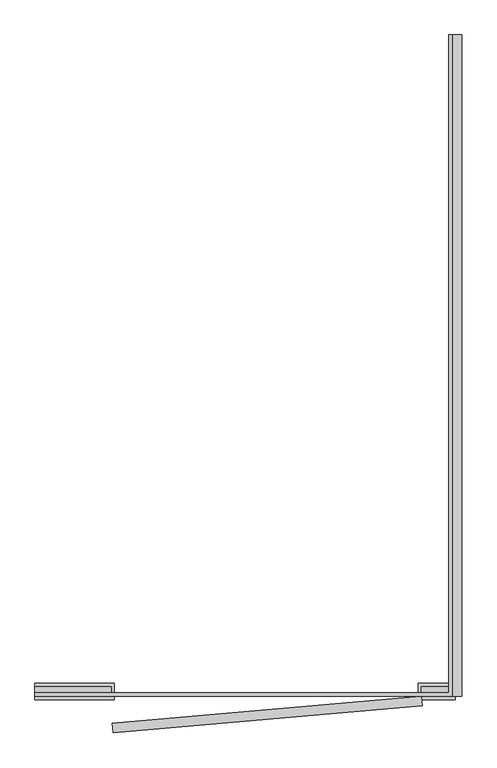
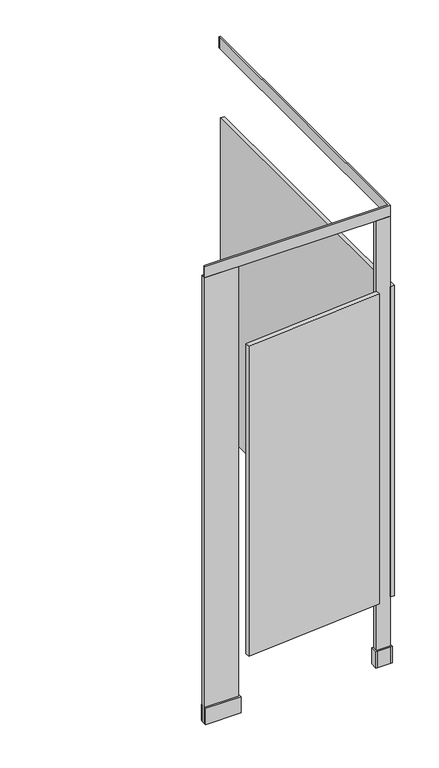
"""IFC4 building model written with IfcOpenShell, lengths in millimetres: proxy geometry."""

from ifc_helpers import new_model, si_unit, frame, origin, origin_with_axes, place, context, project, spatial, polyline, outline, extrude, source, transform, mapped, element, save


def generic_models_d6203a5b(model_context):
    return source(origin(), model_context, "Body", "SweptSolid", [
        extrude(outline(polyline([(403.65, -55.0), (410.0, -55.0), (410.0, -1355.0), (-410.0, -1355.0), (-410.0, -1348.65), (-403.65, -1348.65), (403.65, -1348.65), (403.65, -61.35), (403.65, -55.0)])), frame((0.0, 0.0, 2082.8), z_axis=(0.0, 0.0, 1.0), x_axis=(1.0, 0.0, 0.0)), (0.0, 0.0, 1.0), 50.8),
        extrude(outline(polyline([(-260.0, -1355.0), (-260.0, -1335.95), (-410.0, -1335.95), (-410.0, -1329.6), (-253.65, -1329.6), (-253.65, -1335.95), (-253.65, -1355.0), (-253.65, -1361.35), (-410.0, -1361.35), (-410.0, -1355.0), (-260.0, -1355.0)])), origin_with_axes(), (0.0, 0.0, 1.0), 76.2),
        extrude(outline(polyline([(349.6, -1361.35), (343.25, -1361.35), (343.25, -1329.6), (410.0, -1329.6), (416.35, -1329.6), (416.35, -1361.35), (410.0, -1361.35), (349.6, -1361.35)]), holes=[polyline([(349.6, -1355.0), (410.0, -1355.0), (410.0, -1335.95), (349.6, -1335.95), (349.6, -1355.0)])]), origin_with_axes(), (0.0, 0.0, 1.0), 76.2),
        extrude(outline(polyline([(-256.0199711, -1427.1076498), (-257.680288, -1408.1301408), (349.6, -1355.0), (351.2603169, -1373.977509), (-256.0199711, -1427.1076498)])), frame((0.0, 0.0, 304.8), z_axis=(0.0, 0.0, 1.0), x_axis=(1.0, 0.0, 0.0)), (0.0, 0.0, 1.0), 1447.8),
        extrude(outline(polyline([(410.0, -1335.95), (410.0, -1355.0), (349.6, -1355.0), (349.6, -1335.95), (410.0, -1335.95)])), origin_with_axes(), (0.0, 0.0, 1.0), 2082.8),
        extrude(outline(polyline([(-260.0, -1335.95), (-260.0, -1355.0), (-410.0, -1355.0), (-410.0, -1335.95), (-260.0, -1335.95)])), origin_with_axes(), (0.0, 0.0, 1.0), 2082.8),
        extrude(outline(polyline([(429.05, -1355.0), (410.0, -1355.0), (410.0, -55.0), (429.05, -55.0), (429.05, -1355.0)])), frame((0.0, 0.0, 304.8), z_axis=(0.0, 0.0, 1.0), x_axis=(1.0, 0.0, 0.0)), (0.0, 0.0, 1.0), 1447.8),
    ])


if __name__ == "__main__":
    model = new_model("IFC4")
    model_context = context("Model", 3, world=origin())
    ifc_project = project(units=[si_unit("LENGTHUNIT", "METRE", prefix="MILLI")], contexts=[model_context])
    site = spatial("IfcSite", under=ifc_project)
    building = spatial("IfcBuilding", under=site)
    placement = place(None, origin())
    generic_models_shape = generic_models_d6203a5b(model_context)
    element("IfcBuildingElementProxy", 1, Name="Generic Models", at=placement, inside=building, context=model_context, shape_type="MappedRepresentation", body=[
        mapped(generic_models_shape, transform((0.0, 0.0, 0.0), x_axis=(1.0, 0.0, 0.0), y_axis=(0.0, 1.0, 0.0), z_axis=(0.0, 0.0, 1.0))),
    ])
    save(model, "model.ifc")
